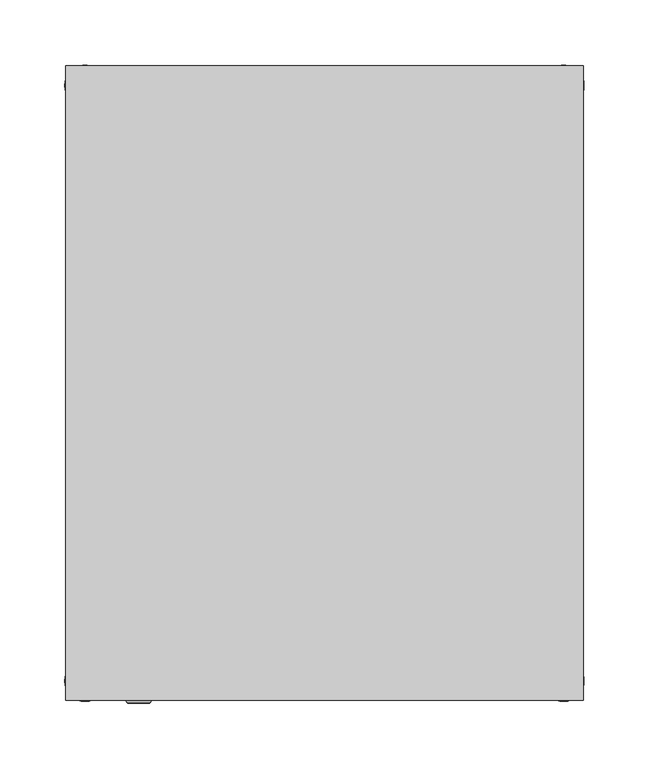
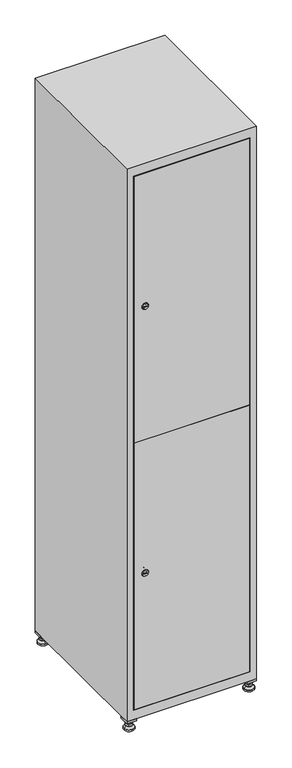
"""IFC4 building model written with IfcOpenShell, lengths in millimetres: furniture geometry."""

from ifc_helpers import new_model, si_unit, point, frame, frame_2d, origin, origin_with_axes, place, context, project, spatial, polyline, circle_curve, trimmed, segment, composite_curve, outline, extrude, faceted_brep, source, transform, mapped, element, save
from ifc_brep_helpers import plane_surface, revolved_surface, advanced_brep


def furniture_5928103f(model_context):
    return source(origin(), model_context, "Body", "SolidModel", [
        extrude(outline(polyline([(200.0, 245.0), (200.0, 215.0), (170.0, 215.0), (170.0, 245.0), (200.0, 245.0)]), holes=[polyline([(198.0, 243.0), (172.0, 243.0), (172.0, 217.0), (198.0, 217.0), (198.0, 243.0)])]), frame((0.0, 0.0, 28.5), z_axis=(0.0, 0.0, 1.0), x_axis=(1.0, 0.0, 0.0)), (0.0, 0.0, 1.0), 6.5),
        extrude(outline(polyline([(170.0, -245.0), (170.0, -215.0), (200.0, -215.0), (200.0, -245.0), (170.0, -245.0)]), holes=[polyline([(172.0, -243.0), (198.0, -243.0), (198.0, -217.0), (172.0, -217.0), (172.0, -243.0)])]), frame((0.0, 0.0, 28.5), z_axis=(0.0, 0.0, 1.0), x_axis=(1.0, 0.0, 0.0)), (0.0, 0.0, 1.0), 6.5),
        extrude(outline(polyline([(-170.0, 245.0), (-170.0, 215.0), (-200.0, 215.0), (-200.0, 245.0), (-170.0, 245.0)]), holes=[polyline([(-172.0, 243.0), (-198.0, 243.0), (-198.0, 217.0), (-172.0, 217.0), (-172.0, 243.0)])]), frame((0.0, 0.0, 28.5), z_axis=(0.0, 0.0, 1.0), x_axis=(1.0, 0.0, 0.0)), (0.0, 0.0, 1.0), 6.5),
        extrude(outline(polyline([(-170.0, -215.0), (-170.0, -245.0), (-200.0, -245.0), (-200.0, -215.0), (-170.0, -215.0)]), holes=[polyline([(-198.0, -243.0), (-172.0, -243.0), (-172.0, -217.0), (-198.0, -217.0), (-198.0, -243.0)])]), frame((0.0, 0.0, 28.5), z_axis=(0.0, 0.0, 1.0), x_axis=(1.0, 0.0, 0.0)), (0.0, 0.0, 1.0), 6.5),
        extrude(outline(composite_curve([segment(trimmed(circle_curve(frame_2d((-185.0, 230.0)), 5.0), [point((-180.0, 230.0))], [point((-190.0, 230.0))], False, "CARTESIAN"), True, "CONTINUOUS"), segment(trimmed(circle_curve(frame_2d((-185.0, 230.0)), 5.0), [point((-190.0, 230.0))], [point((-180.0, 230.0))], False, "CARTESIAN"), True, "CONTINUOUS")], self_intersect=False)), frame((0.0, 0.0, 19.6), z_axis=(0.0, 0.0, 1.0), x_axis=(1.0, 0.0, 0.0)), (0.0, 0.0, 1.0), 15.4),
        extrude(outline(composite_curve([segment(trimmed(circle_curve(frame_2d((-185.0, -230.0)), 5.0), [point((-180.0, -230.0))], [point((-190.0, -230.0))], False, "CARTESIAN"), True, "CONTINUOUS"), segment(trimmed(circle_curve(frame_2d((-185.0, -230.0)), 5.0), [point((-190.0, -230.0))], [point((-180.0, -230.0))], False, "CARTESIAN"), True, "CONTINUOUS")], self_intersect=False)), frame((0.0, 0.0, 19.6), z_axis=(0.0, 0.0, 1.0), x_axis=(1.0, 0.0, 0.0)), (0.0, 0.0, 1.0), 15.4),
        extrude(outline(composite_curve([segment(trimmed(circle_curve(frame_2d((185.0, 230.0)), 5.0), [point((190.0, 230.0))], [point((180.0, 230.0))], False, "CARTESIAN"), True, "CONTINUOUS"), segment(trimmed(circle_curve(frame_2d((185.0, 230.0)), 5.0), [point((180.0, 230.0))], [point((190.0, 230.0))], False, "CARTESIAN"), True, "CONTINUOUS")], self_intersect=False)), frame((0.0, 0.0, 19.6), z_axis=(0.0, 0.0, 1.0), x_axis=(1.0, 0.0, 0.0)), (0.0, 0.0, 1.0), 15.4),
        extrude(outline(polyline([(173.4529946, 230.0), (179.2264973, 240.0), (190.7735027, 240.0), (196.5470054, 230.0), (190.7735027, 220.0), (179.2264973, 220.0), (173.4529946, 230.0)])), frame((0.0, 0.0, 13.6), z_axis=(0.0, 0.0, 1.0), x_axis=(1.0, 0.0, 0.0)), (0.0, 0.0, 1.0), 6.0),
        extrude(outline(composite_curve([segment(trimmed(circle_curve(frame_2d((185.0, -230.0)), 5.0), [point((190.0, -230.0))], [point((180.0, -230.0))], False, "CARTESIAN"), True, "CONTINUOUS"), segment(trimmed(circle_curve(frame_2d((185.0, -230.0)), 5.0), [point((180.0, -230.0))], [point((190.0, -230.0))], False, "CARTESIAN"), True, "CONTINUOUS")], self_intersect=False)), frame((0.0, 0.0, 19.6), z_axis=(0.0, 0.0, 1.0), x_axis=(1.0, 0.0, 0.0)), (0.0, 0.0, 1.0), 15.4),
        extrude(outline(polyline([(173.4529946, -230.0), (179.2264973, -220.0), (190.7735027, -220.0), (196.5470054, -230.0), (190.7735027, -240.0), (179.2264973, -240.0), (173.4529946, -230.0)])), frame((0.0, 0.0, 13.6), z_axis=(0.0, 0.0, 1.0), x_axis=(1.0, 0.0, 0.0)), (0.0, 0.0, 1.0), 6.0),
        extrude(outline(composite_curve([segment(trimmed(circle_curve(frame_2d((185.0, 230.0)), 5.0), [point((190.0, 230.0))], [point((180.0, 230.0))], False, "CARTESIAN"), True, "CONTINUOUS"), segment(trimmed(circle_curve(frame_2d((185.0, 230.0)), 5.0), [point((180.0, 230.0))], [point((190.0, 230.0))], False, "CARTESIAN"), True, "CONTINUOUS")], self_intersect=False)), frame((0.0, 0.0, 12.1), z_axis=(0.0, 0.0, 1.0), x_axis=(1.0, 0.0, 0.0)), (0.0, 0.0, 1.0), 1.5),
        extrude(outline(composite_curve([segment(trimmed(circle_curve(frame_2d((185.0, -230.0)), 5.0), [point((190.0, -230.0))], [point((180.0, -230.0))], False, "CARTESIAN"), True, "CONTINUOUS"), segment(trimmed(circle_curve(frame_2d((185.0, -230.0)), 5.0), [point((180.0, -230.0))], [point((190.0, -230.0))], False, "CARTESIAN"), True, "CONTINUOUS")], self_intersect=False)), frame((0.0, 0.0, 12.1), z_axis=(0.0, 0.0, 1.0), x_axis=(1.0, 0.0, 0.0)), (0.0, 0.0, 1.0), 1.5),
        extrude(outline(polyline([(-196.5470054, 230.0), (-190.7735027, 240.0), (-179.2264973, 240.0), (-173.4529946, 230.0), (-179.2264973, 220.0), (-190.7735027, 220.0), (-196.5470054, 230.0)])), frame((0.0, 0.0, 13.6), z_axis=(0.0, 0.0, 1.0), x_axis=(1.0, 0.0, 0.0)), (0.0, 0.0, 1.0), 6.0),
        extrude(outline(polyline([(-196.5470054, -230.0), (-190.7735027, -220.0), (-179.2264973, -220.0), (-173.4529946, -230.0), (-179.2264973, -240.0), (-190.7735027, -240.0), (-196.5470054, -230.0)])), frame((0.0, 0.0, 13.6), z_axis=(0.0, 0.0, 1.0), x_axis=(1.0, 0.0, 0.0)), (0.0, 0.0, 1.0), 6.0),
        extrude(outline(composite_curve([segment(trimmed(circle_curve(frame_2d((-185.0, 230.0)), 5.0), [point((-185.0, 235.0))], [point((-185.0, 225.0))], False, "CARTESIAN"), True, "CONTINUOUS"), segment(trimmed(circle_curve(frame_2d((-185.0, 230.0)), 5.0), [point((-185.0, 225.0))], [point((-185.0, 235.0))], False, "CARTESIAN"), True, "CONTINUOUS")], self_intersect=False)), frame((0.0, 0.0, 12.1), z_axis=(0.0, 0.0, 1.0), x_axis=(1.0, 0.0, 0.0)), (0.0, 0.0, 1.0), 1.5),
        extrude(outline(composite_curve([segment(trimmed(circle_curve(frame_2d((-185.0, -230.0)), 5.0), [point((-180.0, -230.0))], [point((-190.0, -230.0))], False, "CARTESIAN"), True, "CONTINUOUS"), segment(trimmed(circle_curve(frame_2d((-185.0, -230.0)), 5.0), [point((-190.0, -230.0))], [point((-180.0, -230.0))], False, "CARTESIAN"), True, "CONTINUOUS")], self_intersect=False)), frame((0.0, 0.0, 12.1), z_axis=(0.0, 0.0, 1.0), x_axis=(1.0, 0.0, 0.0)), (0.0, 0.0, 1.0), 1.5),
        extrude(outline(composite_curve([segment(trimmed(circle_curve(frame_2d((185.0, 230.0)), 15.75), [point((200.75, 230.0))], [point((169.25, 230.0))], False, "CARTESIAN"), True, "CONTINUOUS"), segment(trimmed(circle_curve(frame_2d((185.0, 230.0)), 15.75), [point((169.25, 230.0))], [point((200.75, 230.0))], False, "CARTESIAN"), True, "CONTINUOUS")], self_intersect=False)), origin_with_axes(), (0.0, 0.0, 1.0), 5.1),
        extrude(outline(composite_curve([segment(trimmed(circle_curve(frame_2d((185.0, -230.0)), 15.75), [point((185.0, -214.25))], [point((185.0, -245.75))], False, "CARTESIAN"), True, "CONTINUOUS"), segment(trimmed(circle_curve(frame_2d((185.0, -230.0)), 15.75), [point((185.0, -245.75))], [point((185.0, -214.25))], False, "CARTESIAN"), True, "CONTINUOUS")], self_intersect=False)), origin_with_axes(), (0.0, 0.0, 1.0), 5.1),
        extrude(outline(composite_curve([segment(trimmed(circle_curve(frame_2d((-185.0, -230.0)), 15.75), [point((-169.25, -230.0))], [point((-200.75, -230.0))], False, "CARTESIAN"), True, "CONTINUOUS"), segment(trimmed(circle_curve(frame_2d((-185.0, -230.0)), 15.75), [point((-200.75, -230.0))], [point((-169.25, -230.0))], False, "CARTESIAN"), True, "CONTINUOUS")], self_intersect=False)), origin_with_axes(), (0.0, 0.0, 1.0), 5.1),
        extrude(outline(composite_curve([segment(trimmed(circle_curve(frame_2d((-185.0, 230.0)), 15.75), [point((-169.25, 230.0))], [point((-200.75, 230.0))], False, "CARTESIAN"), True, "CONTINUOUS"), segment(trimmed(circle_curve(frame_2d((-185.0, 230.0)), 15.75), [point((-200.75, 230.0))], [point((-169.25, 230.0))], False, "CARTESIAN"), True, "CONTINUOUS")], self_intersect=False)), origin_with_axes(), (0.0, 0.0, 1.0), 5.1),
        advanced_brep(
        [(-185.0, 245.75, 5.1), (-185.0, 214.25, 5.1), (-185.0, 239.5, 12.1), (-185.0, 220.5, 12.1)],
        [
            (0, 1, circle_curve(frame((-185.0, 230.0, 5.1), z_axis=(0.0, 0.0, -1.0), x_axis=(0.0, 1.0, 0.0)), 15.75)),
            (1, 0, circle_curve(frame((-185.0, 230.0, 5.1), z_axis=(0.0, 0.0, -1.0), x_axis=(0.0, -1.0, 0.0)), 15.75)),
            (2, 3, circle_curve(frame((-185.0, 230.0, 12.1), z_axis=(0.0, 0.0, 1.0), x_axis=(0.0, -1.0, 0.0)), 9.5)),
            (3, 2, circle_curve(frame((-185.0, 230.0, 12.1), z_axis=(0.0, 0.0, 1.0), x_axis=(0.0, 1.0, 0.0)), 9.5)),
            (3, 1),
            (0, 2),
        ],
        [
            plane_surface(frame((-185.0, 230.0, 5.1), z_axis=(0.0, 0.0, -1.0), x_axis=(1.0, 0.0, 0.0))),
            plane_surface(frame((-185.0, 230.0, 12.1), z_axis=(0.0, 0.0, 1.0), x_axis=(1.0, 0.0, 0.0))),
            revolved_surface(polyline([(-185.0, 220.5, 12.099999999999998), (-185.0, 214.25, 5.099999999999998)]), (-185.0, 230.0, 22.74), (0.0, 0.0, -1.0)),
            revolved_surface(polyline([(-185.0, 239.5, 12.099999999999998), (-185.0, 245.75, 5.099999999999998)]), (-185.0, 230.0, 22.74), (0.0, 0.0, -1.0)),
        ],
        [
            (0, [[1, 2]]),
            (1, [[3, 4]]),
            (2, [[-4, 5, -1, 6]]),
            (3, [[-3, -6, -2, -5]]),
        ],
    ),
        advanced_brep(
        [(185.0, 245.75, 5.1), (185.0, 214.25, 5.1), (185.0, 239.5, 12.1), (185.0, 220.5, 12.1)],
        [
            (0, 1, circle_curve(frame((185.0, 230.0, 5.1), z_axis=(0.0, 0.0, -1.0), x_axis=(0.0, 1.0, 0.0)), 15.75)),
            (1, 0, circle_curve(frame((185.0, 230.0, 5.1), z_axis=(0.0, 0.0, -1.0), x_axis=(0.0, -1.0, 0.0)), 15.75)),
            (2, 3, circle_curve(frame((185.0, 230.0, 12.1), z_axis=(0.0, 0.0, 1.0), x_axis=(0.0, -1.0, 0.0)), 9.5)),
            (3, 2, circle_curve(frame((185.0, 230.0, 12.1), z_axis=(0.0, 0.0, 1.0), x_axis=(0.0, 1.0, 0.0)), 9.5)),
            (3, 1),
            (0, 2),
        ],
        [
            plane_surface(frame((185.0, 230.0, 5.1), z_axis=(0.0, 0.0, -1.0), x_axis=(1.0, 0.0, 0.0))),
            plane_surface(frame((185.0, 230.0, 12.1), z_axis=(0.0, 0.0, 1.0), x_axis=(1.0, 0.0, 0.0))),
            revolved_surface(polyline([(185.0, 220.5, 12.099999999999998), (185.0, 214.25, 5.099999999999998)]), (185.0, 230.0, 22.74), (0.0, 0.0, -1.0)),
            revolved_surface(polyline([(185.0, 239.5, 12.099999999999998), (185.0, 245.75, 5.099999999999998)]), (185.0, 230.0, 22.74), (0.0, 0.0, -1.0)),
        ],
        [
            (0, [[1, 2]]),
            (1, [[3, 4]]),
            (2, [[-4, 5, -1, 6]]),
            (3, [[-3, -6, -2, -5]]),
        ],
    ),
        advanced_brep(
        [(194.5, -230.0, 12.1), (175.5, -230.0, 12.1), (200.75, -230.0, 5.1), (169.25, -230.0, 5.1)],
        [
            (0, 1, circle_curve(frame((185.0, -230.0, 12.1), z_axis=(0.0, 0.0, 1.0), x_axis=(1.0, 0.0, 0.0)), 9.5)),
            (1, 0, circle_curve(frame((185.0, -230.0, 12.1), z_axis=(0.0, 0.0, 1.0), x_axis=(-1.0, 0.0, 0.0)), 9.5)),
            (2, 3, circle_curve(frame((185.0, -230.0, 5.1), z_axis=(0.0, 0.0, -1.0), x_axis=(-1.0, 0.0, 0.0)), 15.75)),
            (3, 2, circle_curve(frame((185.0, -230.0, 5.1), z_axis=(0.0, 0.0, -1.0), x_axis=(1.0, 0.0, 0.0)), 15.75)),
            (3, 1),
            (0, 2),
        ],
        [
            plane_surface(frame((185.0, -230.0, 12.1), z_axis=(0.0, 0.0, 1.0), x_axis=(0.0, 1.0, 0.0))),
            plane_surface(frame((185.0, -230.0, 5.1), z_axis=(0.0, 0.0, -1.0), x_axis=(0.0, 1.0, 0.0))),
            revolved_surface(polyline([(194.5, -230.0, 12.099999999999998), (200.75, -230.0, 5.099999999999998)]), (185.0, -230.0, 22.74), (0.0, 0.0, -1.0)),
            revolved_surface(polyline([(175.5, -230.0, 12.099999999999998), (169.25, -230.0, 5.099999999999998)]), (185.0, -230.0, 22.74), (0.0, 0.0, -1.0)),
        ],
        [
            (0, [[1, 2]]),
            (1, [[3, 4]]),
            (2, [[-4, 5, -1, 6]]),
            (3, [[-3, -6, -2, -5]]),
        ],
    ),
        advanced_brep(
        [(-175.5, -230.0, 12.1), (-194.5, -230.0, 12.1), (-169.25, -230.0, 5.1), (-200.75, -230.0, 5.1)],
        [
            (0, 1, circle_curve(frame((-185.0, -230.0, 12.1), z_axis=(0.0, 0.0, 1.0), x_axis=(1.0, 0.0, 0.0)), 9.5)),
            (1, 0, circle_curve(frame((-185.0, -230.0, 12.1), z_axis=(0.0, 0.0, 1.0), x_axis=(-1.0, 0.0, 0.0)), 9.5)),
            (2, 3, circle_curve(frame((-185.0, -230.0, 5.1), z_axis=(0.0, 0.0, -1.0), x_axis=(-1.0, 0.0, 0.0)), 15.75)),
            (3, 2, circle_curve(frame((-185.0, -230.0, 5.1), z_axis=(0.0, 0.0, -1.0), x_axis=(1.0, 0.0, 0.0)), 15.75)),
            (3, 1),
            (0, 2),
        ],
        [
            plane_surface(frame((-185.0, -230.0, 12.1), z_axis=(0.0, 0.0, 1.0), x_axis=(0.0, 1.0, 0.0))),
            plane_surface(frame((-185.0, -230.0, 5.1), z_axis=(0.0, 0.0, -1.0), x_axis=(0.0, 1.0, 0.0))),
            revolved_surface(polyline([(-175.5, -230.0, 12.099999999999998), (-169.25, -230.0, 5.099999999999998)]), (-185.0, -230.0, 22.74), (0.0, 0.0, -1.0)),
            revolved_surface(polyline([(-194.5, -230.0, 12.099999999999998), (-200.75, -230.0, 5.099999999999998)]), (-185.0, -230.0, 22.74), (0.0, 0.0, -1.0)),
        ],
        [
            (0, [[1, 2]]),
            (1, [[3, 4]]),
            (2, [[-4, 5, -1, 6]]),
            (3, [[-3, -6, -2, -5]]),
        ],
    ),
        extrude(outline(composite_curve([segment(trimmed(circle_curve(frame_2d((500.6, -170.3989466)), 7.0), [point((507.6, -170.3989466))], [point((493.6, -170.3989466))], False, "CARTESIAN"), True, "CONTINUOUS"), segment(polyline([(493.6, -170.3989466), (493.6, -142.3989466)]), True, "CONTINUOUS"), segment(trimmed(circle_curve(frame_2d((500.6, -142.3989466)), 7.0), [point((493.6, -142.3989466))], [point((507.6, -142.3989466))], False, "CARTESIAN"), True, "CONTINUOUS"), segment(polyline([(507.6, -142.3989466), (507.6, -170.3989466)]), True, "CONTINUOUS")], self_intersect=False)), frame((0.0, -227.0, 0.0), z_axis=(0.0, 1.0, 0.0), x_axis=(0.0, 0.0, 1.0)), (0.0, 0.0, 1.0), 2.0),
        advanced_brep(
        [(-135.1, -247.2, 500.6), (-152.1, -247.2, 500.6), (-148.6, -247.2, 499.35), (-148.6, -247.2, 501.85), (-138.6, -247.2, 501.85), (-138.6, -247.2, 499.35), (-133.1, -245.0, 500.6), (-154.1, -245.0, 500.6), (-148.6, -245.0, 501.85), (-148.6, -245.0, 499.35), (-138.6, -245.0, 499.35), (-138.6, -245.0, 501.85)],
        [
            (0, 1, circle_curve(frame((-143.6, -247.2, 500.6), z_axis=(0.0, -1.0, 0.0), x_axis=(1.0, 0.0, 0.0)), 8.5)),
            (1, 0, circle_curve(frame((-143.6, -247.2, 500.6), z_axis=(0.0, -1.0, 0.0), x_axis=(-1.0, 0.0, 0.0)), 8.5)),
            (2, 3),
            (3, 4),
            (4, 5),
            (5, 2),
            (6, 7, circle_curve(frame((-143.6, -245.0, 500.6), z_axis=(0.0, 1.0, 0.0), x_axis=(-1.0, 0.0, 0.0)), 10.5)),
            (7, 6, circle_curve(frame((-143.6, -245.0, 500.6), z_axis=(0.0, 1.0, 0.0), x_axis=(1.0, 0.0, 0.0)), 10.5)),
            (8, 9),
            (9, 10),
            (10, 11),
            (11, 8),
            (0, 6),
            (7, 1),
            (8, 3),
            (2, 9),
            (11, 4),
            (10, 5),
        ],
        [
            plane_surface(frame((-143.6, -247.2, 500.6), z_axis=(0.0, -1.0, 0.0), x_axis=(0.0, 0.0, 1.0))),
            plane_surface(frame((-143.6, -245.0, 500.6), z_axis=(0.0, 1.0, 0.0), x_axis=(0.0, 0.0, 1.0))),
            revolved_surface(polyline([(-135.1, -247.2, 500.6), (-133.1, -245.0, 500.6)]), (-143.6, -256.55, 500.6), (0.0, 1.0, 0.0)),
            revolved_surface(polyline([(-152.1, -247.2, 500.6), (-154.1, -245.0, 500.6)]), (-143.6, -256.55, 500.6), (0.0, 1.0, 0.0)),
            plane_surface(frame((-148.6, -245.0, 499.35), z_axis=(1.0, 0.0, 0.0), x_axis=(0.0, -1.0, 0.0))),
            plane_surface(frame((-148.6, -245.0, 501.85), z_axis=(0.0, 0.0, -1.0), x_axis=(0.0, -1.0, 0.0))),
            plane_surface(frame((-138.6, -245.0, 501.85), z_axis=(-1.0, 0.0, 0.0), x_axis=(0.0, -1.0, 0.0))),
            plane_surface(frame((-138.6, -245.0, 499.35), z_axis=(0.0, 0.0, 1.0), x_axis=(0.0, -1.0, 0.0))),
        ],
        [
            (0, [[1, 2], [3, 4, 5, 6]]),
            (1, [[7, 8], [9, 10, 11, 12]]),
            (2, [[-1, 13, -8, 14]]),
            (3, [[-2, -14, -7, -13]]),
            (4, [[15, -3, 16, -9]]),
            (5, [[-15, -12, 17, -4]]),
            (6, [[-17, -11, 18, -5]]),
            (7, [[-16, -6, -18, -10]]),
        ],
    ),
        extrude(outline(composite_curve([segment(trimmed(circle_curve(frame_2d((1369.4, -170.3989466)), 7.0), [point((1376.4, -170.3989466))], [point((1362.4, -170.3989466))], False, "CARTESIAN"), True, "CONTINUOUS"), segment(polyline([(1362.4, -170.3989466), (1362.4, -142.3989466)]), True, "CONTINUOUS"), segment(trimmed(circle_curve(frame_2d((1369.4, -142.3989466)), 7.0), [point((1362.4, -142.3989466))], [point((1376.4, -142.3989466))], False, "CARTESIAN"), True, "CONTINUOUS"), segment(polyline([(1376.4, -142.3989466), (1376.4, -170.3989466)]), True, "CONTINUOUS")], self_intersect=False)), frame((0.0, -227.0, 0.0), z_axis=(0.0, 1.0, 0.0), x_axis=(0.0, 0.0, 1.0)), (0.0, 0.0, 1.0), 2.0),
        advanced_brep(
        [(-135.1, -247.2, 1369.4), (-152.1, -247.2, 1369.4), (-148.6, -247.2, 1368.15), (-148.6, -247.2, 1370.65), (-138.6, -247.2, 1370.65), (-138.6, -247.2, 1368.15), (-133.1, -245.0, 1369.4), (-154.1, -245.0, 1369.4), (-148.6, -245.0, 1370.65), (-148.6, -245.0, 1368.15), (-138.6, -245.0, 1368.15), (-138.6, -245.0, 1370.65)],
        [
            (0, 1, circle_curve(frame((-143.6, -247.2, 1369.4), z_axis=(0.0, -1.0, 0.0), x_axis=(1.0, 0.0, 0.0)), 8.5)),
            (1, 0, circle_curve(frame((-143.6, -247.2, 1369.4), z_axis=(0.0, -1.0, 0.0), x_axis=(-1.0, 0.0, 0.0)), 8.5)),
            (2, 3),
            (3, 4),
            (4, 5),
            (5, 2),
            (6, 7, circle_curve(frame((-143.6, -245.0, 1369.4), z_axis=(0.0, 1.0, 0.0), x_axis=(-1.0, 0.0, 0.0)), 10.5)),
            (7, 6, circle_curve(frame((-143.6, -245.0, 1369.4), z_axis=(0.0, 1.0, 0.0), x_axis=(1.0, 0.0, 0.0)), 10.5)),
            (8, 9),
            (9, 10),
            (10, 11),
            (11, 8),
            (0, 6),
            (7, 1),
            (8, 3),
            (2, 9),
            (11, 4),
            (10, 5),
        ],
        [
            plane_surface(frame((-143.6, -247.2, 1369.4), z_axis=(0.0, -1.0, 0.0), x_axis=(0.0, 0.0, 1.0))),
            plane_surface(frame((-143.6, -245.0, 1369.4), z_axis=(0.0, 1.0, 0.0), x_axis=(0.0, 0.0, 1.0))),
            revolved_surface(polyline([(-135.1, -247.2, 1369.4), (-133.1, -245.0, 1369.4)]), (-143.6, -256.55, 1369.4), (0.0, 1.0, 0.0)),
            revolved_surface(polyline([(-152.1, -247.2, 1369.4), (-154.1, -245.0, 1369.4)]), (-143.6, -256.55, 1369.4), (0.0, 1.0, 0.0)),
            plane_surface(frame((-148.6, -245.0, 1368.15), z_axis=(1.0, 0.0, 0.0), x_axis=(0.0, -1.0, 0.0))),
            plane_surface(frame((-148.6, -245.0, 1370.65), z_axis=(0.0, 0.0, -1.0), x_axis=(0.0, -1.0, 0.0))),
            plane_surface(frame((-138.6, -245.0, 1370.65), z_axis=(-1.0, 0.0, 0.0), x_axis=(0.0, -1.0, 0.0))),
            plane_surface(frame((-138.6, -245.0, 1368.15), z_axis=(0.0, 0.0, 1.0), x_axis=(0.0, -1.0, 0.0))),
        ],
        [
            (0, [[1, 2], [3, 4, 5, 6]]),
            (1, [[7, 8], [9, 10, 11, 12]]),
            (2, [[-1, 13, -8, 14]]),
            (3, [[-2, -14, -7, -13]]),
            (4, [[15, -3, 16, -9]]),
            (5, [[-15, -12, 17, -4]]),
            (6, [[-17, -11, 18, -5]]),
            (7, [[-16, -6, -18, -10]]),
        ],
    ),
        extrude(outline(polyline([(-178.6, -245.0), (-178.6, -227.0), (178.6, -227.0), (178.6, -245.0), (-178.6, -245.0)])), frame((0.0, 0.0, 66.2), z_axis=(0.0, 0.0, 1.0), x_axis=(1.0, 0.0, 0.0)), (0.0, 0.0, 1.0), 868.3),
        extrude(outline(polyline([(178.6, -227.0), (178.6, -245.0), (-178.6, -245.0), (-178.6, -227.0), (178.6, -227.0)])), frame((0.0, 0.0, 935.5), z_axis=(0.0, 0.0, 1.0), x_axis=(1.0, 0.0, 0.0)), (0.0, 0.0, 1.0), 868.3),
        extrude(outline(polyline([(179.6, 242.0), (179.6, -227.0), (-179.6, -227.0), (-179.6, 242.0), (179.6, 242.0)])), frame((0.0, 0.0, 924.8), z_axis=(0.0, 0.0, 1.0), x_axis=(1.0, 0.0, 0.0)), (0.0, 0.0, 1.0), 20.4),
        faceted_brep([(200.0, -245.0, 35.0), (200.0, -245.0, 1835.0), (-200.0, -245.0, 1835.0), (-200.0, -245.0, 35.0), (179.6, -245.0, 1804.8), (179.6, -245.0, 65.2), (-179.6, -245.0, 65.2), (-179.6, -245.0, 1804.8), (200.0, 245.0, 35.0), (-200.0, 245.0, 35.0), (200.0, 245.0, 1835.0), (-200.0, 245.0, 1835.0), (179.6, 242.0, 1804.8), (179.6, 242.0, 65.2), (-200.0, 245.0, 1804.8), (-179.6, 242.0, 1804.8), (-179.6, 242.0, 65.2)], [[[0, 1, 2, 3], [4, 5, 6, 7]], [[8, 0, 3, 9]], [[1, 0, 8, 10]], [[1, 10, 11, 2]], [[4, 12, 13, 5]], [[9, 3, 2, 11, 14]], [[10, 8, 9, 14, 11]], [[12, 15, 16, 13]], [[15, 7, 6, 16]], [[4, 7, 15, 12]], [[6, 5, 13, 16]]]),
    ])


if __name__ == "__main__":
    model = new_model("IFC4")
    model_context = context("Model", 3, world=origin())
    ifc_project = project(units=[si_unit("LENGTHUNIT", "METRE", prefix="MILLI")], contexts=[model_context])
    site = spatial("IfcSite", under=ifc_project)
    building = spatial("IfcBuilding", under=site)
    placement = place(None, origin())
    furniture_shape = furniture_5928103f(model_context)
    element("IfcFurniture", 1, at=placement, inside=building, context=model_context, shape_type="MappedRepresentation", body=[
        mapped(furniture_shape, transform((0.0, 0.0, 0.0), x_axis=(1.0, 0.0, 0.0), y_axis=(0.0, 1.0, 0.0), z_axis=(0.0, 0.0, 1.0))),
    ])
    save(model, "model.ifc")
